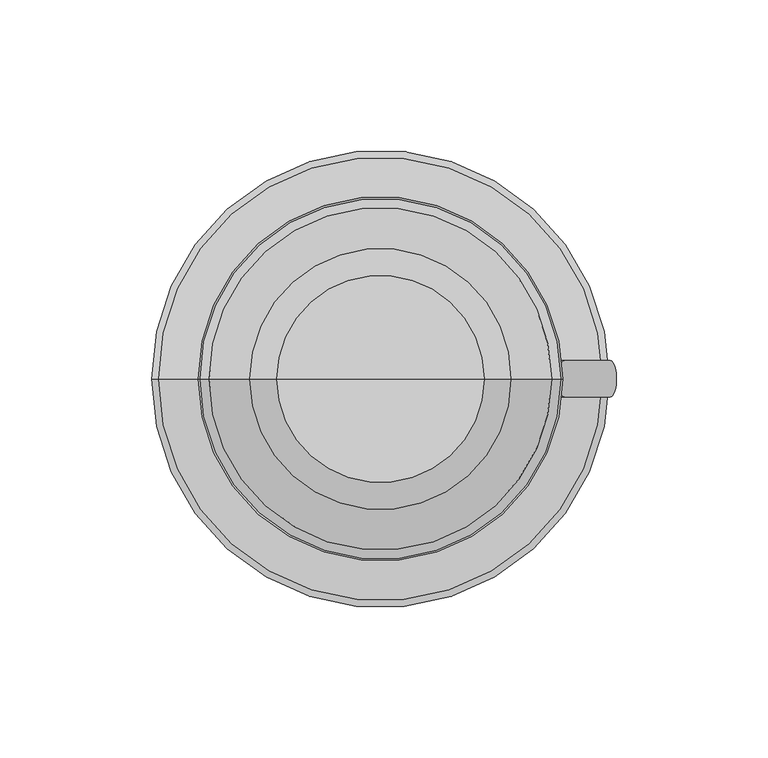
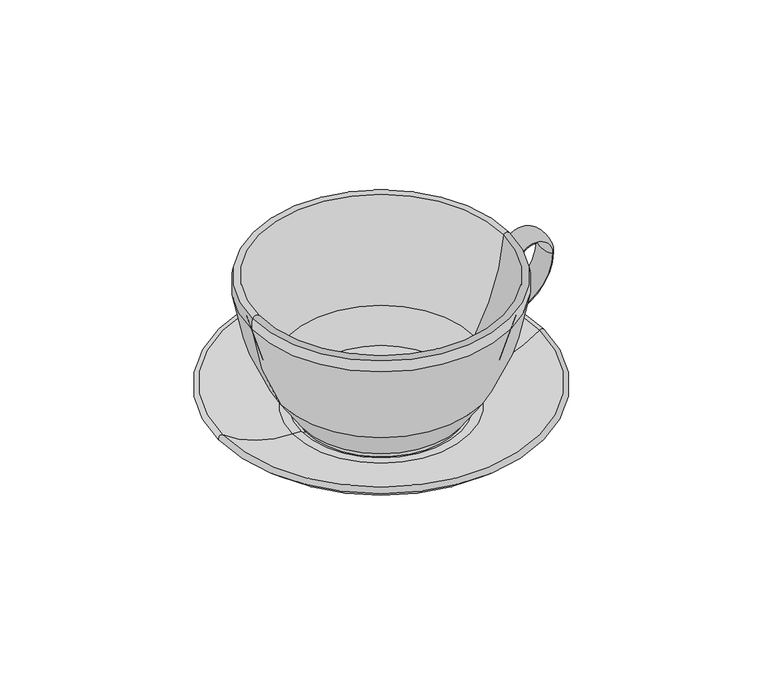
"""IFC4 building model written with IfcOpenShell, lengths in millimetres: proxy geometry."""

from ifc_helpers import new_model, si_unit, point, frame, origin, place, context, project, spatial, polyline, circle_curve, ellipse_curve, trimmed, source, transform, mapped, element, save
from ifc_brep_helpers import plane_surface, cylinder_surface, revolved_surface, extruded_surface, advanced_brep


def specialty_equipment_aad6432e(model_context):
    return source(origin(), model_context, "Body", "AdvancedBrep", [
        advanced_brep(
        [(59.5446216, 6.0, 53.0158416), (59.5446216, -6.0, 53.0158416), (60.5421811, 6.0, 58.6732829), (60.5421811, -6.0, 58.6732829), (75.8071396, -6.0, 57.2418221), (75.8071396, 6.0, 57.2418221), (55.9182518, -6.0, 33.3751568), (55.9182518, 6.0, 33.3751568), (46.2428865, 6.0, 25.5843892), (46.2428865, -6.0, 25.5843892)],
        [
            (0, 1, ellipse_curve(frame((59.5446216, 0.0, 53.0158416), z_axis=(-0.17364817766693216, 0.0, -0.9848077530122078), x_axis=(0.0, -1.0, 0.0)), 6.0, 1.9556392)),
            (1, 0, ellipse_curve(frame((59.5446216, 0.0, 53.0158416), z_axis=(-0.17364817766693216, 0.0, -0.9848077530122078), x_axis=(0.0, -1.0, 0.0)), 6.0, 1.9556392)),
            (0, 2),
            (2, 3, ellipse_curve(frame((60.5421811, 0.0, 58.6732829), z_axis=(-0.17364817766692553, 0.0, -0.9848077530122089), x_axis=(0.0, -1.0, 0.0)), 6.0, 1.9556392)),
            (3, 1),
            (3, 2, ellipse_curve(frame((60.5421811, 0.0, 58.6732829), z_axis=(-0.17364817766692553, 0.0, -0.9848077530122089), x_axis=(0.0, -1.0, 0.0)), 6.0, 1.9556392)),
            (4, 3, circle_curve(frame((68.116536, -6.0, 57.3377198), z_axis=(0.0, -1.0, 0.0), x_axis=(-0.9848077530122089, 0.0, 0.17364817766692564)), 7.6912015)),
            (2, 5, circle_curve(frame((68.116536, 6.0, 57.3377198), z_axis=(0.0, 1.0, 0.0), x_axis=(-0.9848077530122089, 0.0, 0.17364817766692564)), 7.6912015)),
            (5, 4, ellipse_curve(frame((75.8071396, 0.0, 57.2418221), z_axis=(0.01246848330167788, 0.0, 0.999922265440747), x_axis=(0.0, -1.0, 0.0)), 6.0, 1.9556392)),
            (4, 5, ellipse_curve(frame((75.8071396, 0.0, 57.2418221), z_axis=(0.012468483301678351, 0.0, 0.9999222654407471), x_axis=(0.0, -1.0, 0.0)), 6.0, 1.9556392)),
            (6, 4, circle_curve(frame((51.174104, -6.0, 57.5489826), z_axis=(0.0, -1.0, 0.0), x_axis=(0.9999222654407469, 0.0, -0.012468483301684043)), 24.6349506)),
            (5, 7, circle_curve(frame((51.174104, 6.0, 57.5489826), z_axis=(0.0, 1.0, 0.0), x_axis=(0.9999222654407469, 0.0, -0.012468483301684043)), 24.6349506)),
            (7, 6, ellipse_curve(frame((55.9182518, 0.0, 33.3751568), z_axis=(0.9812816821332172, 0.0, 0.19257793308114), x_axis=(0.0, -1.0, 0.0)), 6.0, 1.9556392)),
            (6, 7, ellipse_curve(frame((55.9182518, 0.0, 33.3751568), z_axis=(0.981281682133217, 0.0, 0.19257793308114013), x_axis=(0.0, -1.0, 0.0)), 6.0, 1.9556392)),
            (8, 9, ellipse_curve(frame((46.2428865, 0.0, 25.5843892), z_axis=(-0.39746915775875274, 0.0, -0.9176155342138385), x_axis=(0.0, -1.0, 0.0)), 6.0, 1.9556392)),
            (9, 8, ellipse_curve(frame((46.2428865, 0.0, 25.5843892), z_axis=(-0.39746915775875274, 0.0, -0.9176155342138385), x_axis=(0.0, -1.0, 0.0)), 6.0, 1.9556392)),
            (9, 6, circle_curve(frame((58.4881349, -6.0, 20.2803066), z_axis=(0.0, 1.0, 0.0), x_axis=(-0.19257793308113996, 0.0, 0.981281682133217)), 13.3446394)),
            (7, 8, circle_curve(frame((58.4881349, 6.0, 20.2803066), z_axis=(0.0, -1.0, 0.0), x_axis=(-0.19257793308113996, 0.0, 0.981281682133217)), 13.3446394)),
        ],
        [
            plane_surface(frame((58.0364761, 0.0, 53.2817683), z_axis=(-0.17364817766693216, 0.0, -0.9848077530122078), x_axis=(0.0, -1.0, 0.0))),
            extruded_surface(trimmed(ellipse_curve(frame((60.5421811, 0.0, 58.6732829), z_axis=(-0.17364817766693216, 0.0, -0.9848077530122078), x_axis=(0.0, -1.0, 0.0)), 6.0, 1.9556392), [point((60.5421811, 6.0, 58.6732829))], [point((60.5421811, -6.0, 58.6732829))], True, "CARTESIAN"), (-0.9975595000000013, 0.0, -5.657441299999995), 5.744716443740795),
            extruded_surface(trimmed(ellipse_curve(frame((60.5421811, 0.0, 58.6732829), z_axis=(-0.17364817766693216, 0.0, -0.9848077530122078), x_axis=(0.0, -1.0, 0.0)), 6.0, 1.9556392), [point((60.5421811, -6.0, 58.6732829))], [point((60.5421811, 6.0, 58.6732829))], True, "CARTESIAN"), (-0.9975595000000013, 0.0, -5.657441299999995), 5.744716443740795),
            revolved_surface(trimmed(ellipse_curve(frame((60.5421811, 0.0, 58.6732829), z_axis=(-0.17364817766692553, 0.0, -0.9848077530122089), x_axis=(0.0, -1.0, 0.0)), 6.0, 1.9556392), [point((60.5421811, 6.0, 58.6732829))], [point((60.5421811, -6.0, 58.6732829))], True, "CARTESIAN"), (68.116536, 0.0, 57.3377198), (0.0, 1.0, 0.0)),
            revolved_surface(trimmed(ellipse_curve(frame((60.5421811, 0.0, 58.6732829), z_axis=(-0.17364817766692553, 0.0, -0.9848077530122089), x_axis=(0.0, -1.0, 0.0)), 6.0, 1.9556392), [point((60.5421811, -6.0, 58.6732829))], [point((60.5421811, 6.0, 58.6732829))], True, "CARTESIAN"), (68.116536, 0.0, 57.3377198), (0.0, 1.0, 0.0)),
            revolved_surface(trimmed(ellipse_curve(frame((75.8071396, 0.0, 57.2418221), z_axis=(0.012468483301683986, 0.0, 0.9999222654407469), x_axis=(0.0, -1.0, 0.0)), 6.0, 1.9556392), [point((75.8071396, 6.0, 57.2418221))], [point((75.8071396, -6.0, 57.2418221))], True, "CARTESIAN"), (51.174104, 0.0, 57.5489826), (0.0, 1.0, 0.0)),
            revolved_surface(trimmed(ellipse_curve(frame((75.8071396, 0.0, 57.2418221), z_axis=(0.012468483301683986, 0.0, 0.9999222654407469), x_axis=(0.0, -1.0, 0.0)), 6.0, 1.9556392), [point((75.8071396, -6.0, 57.2418221))], [point((75.8071396, 6.0, 57.2418221))], True, "CARTESIAN"), (51.174104, 0.0, 57.5489826), (0.0, 1.0, 0.0)),
            plane_surface(frame((47.648133, 0.0, 24.9757006), z_axis=(-0.39746915775875274, 0.0, -0.9176155342138382), x_axis=(0.0, -1.0, 0.0))),
            revolved_surface(trimmed(ellipse_curve(frame((55.9182518, 0.0, 33.3751568), z_axis=(0.981281682133217, 0.0, 0.19257793308114), x_axis=(0.0, -1.0, 0.0)), 6.0, 1.9556392), [point((55.9182518, 6.0, 33.3751568))], [point((55.9182518, -6.0, 33.3751568))], True, "CARTESIAN"), (58.4881349, 0.0, 20.2803066), (0.0, -1.0, 0.0)),
            revolved_surface(trimmed(ellipse_curve(frame((55.9182518, 0.0, 33.3751568), z_axis=(0.981281682133217, 0.0, 0.19257793308114), x_axis=(0.0, -1.0, 0.0)), 6.0, 1.9556392), [point((55.9182518, -6.0, 33.3751568))], [point((55.9182518, 6.0, 33.3751568))], True, "CARTESIAN"), (58.4881349, 0.0, 20.2803066), (0.0, -1.0, 0.0)),
        ],
        [
            (0, [[1, 2]]),
            (1, [[-1, 3, 4, 5]]),
            (2, [[-2, -5, 6, -3]]),
            (3, [[7, -4, 8, 9]]),
            (4, [[-8, -6, -7, 10]]),
            (5, [[11, -9, 12, 13]]),
            (6, [[-12, -10, -11, 14]]),
            (7, [[15, 16]]),
            (8, [[17, -13, 18, -16]]),
            (9, [[-18, -14, -17, -15]]),
        ],
    ),
        advanced_brep(
        [(0.0, 0.0, 5.0), (-35.0, 0.0, 5.0), (35.0, 0.0, 5.0), (34.1675948, 0.0, 11.0), (-34.1675948, 0.0, 11.0), (0.0, 0.0, 11.0), (43.031158, 0.0, 24.4569164), (-43.031158, 0.0, 24.4569164), (56.4535452, 0.0, 69.2189624), (-56.4535452, 0.0, 69.2189624), (59.4551761, 0.0, 69.0), (-59.4551761, 0.0, 69.0), (60.0, 0.0, 64.0), (-60.0, 0.0, 64.0), (46.5104703, 0.0, 22.4834964), (-46.5104703, 0.0, 22.4834964), (36.434045, 0.0, 7.3842512), (-36.434045, 0.0, 7.3842512), (35.0, 0.0, 7.0), (-35.0, 0.0, 7.0)],
        [
            (0, 1),
            (1, 2, circle_curve(frame((0.0, 0.0, 5.0), z_axis=(0.0, 0.0, -1.0), x_axis=(-1.0, 0.0, 0.0)), 35.0)),
            (2, 0),
            (2, 1, circle_curve(frame((0.0, 0.0, 5.0), z_axis=(0.0, 0.0, -1.0), x_axis=(-1.0, 0.0, 0.0)), 35.0)),
            (3, 4, circle_curve(frame((0.0, 0.0, 11.0), z_axis=(0.0, 0.0, 1.0), x_axis=(-1.0, 0.0, 0.0)), 34.1675948)),
            (4, 5),
            (5, 3),
            (4, 3, circle_curve(frame((0.0, 0.0, 11.0), z_axis=(0.0, 0.0, 1.0), x_axis=(-1.0, 0.0, 0.0)), 34.1675948)),
            (6, 7, circle_curve(frame((0.0, 0.0, 24.4569164), z_axis=(0.0, 0.0, 1.0), x_axis=(-1.0, 0.0, 0.0)), 43.031158)),
            (7, 4, circle_curve(frame((62.4343307, 0.0, 84.2755503), z_axis=(0.0, -1.0, 0.0), x_axis=(1.0, 0.0, 0.0)), 121.248663)),
            (3, 6, circle_curve(frame((-62.4343307, 0.0, 84.2755503), z_axis=(0.0, -1.0, 0.0), x_axis=(-1.0, 0.0, 0.0)), 121.248663)),
            (7, 6, circle_curve(frame((0.0, 0.0, 24.4569164), z_axis=(0.0, 0.0, 1.0), x_axis=(-1.0, 0.0, 0.0)), 43.031158)),
            (8, 9, circle_curve(frame((0.0, 0.0, 69.2189624), z_axis=(0.0, 0.0, 1.0), x_axis=(-1.0, 0.0, 0.0)), 56.4535452)),
            (9, 7, circle_curve(frame((48.2186848, 0.0, 76.2126234), z_axis=(0.0, -1.0, 0.0), x_axis=(1.0, 0.0, 0.0)), 104.90561)),
            (6, 8, circle_curve(frame((-48.2186848, 0.0, 76.2126234), z_axis=(0.0, -1.0, 0.0), x_axis=(-1.0, 0.0, 0.0)), 104.90561)),
            (9, 8, circle_curve(frame((0.0, 0.0, 69.2189624), z_axis=(0.0, 0.0, 1.0), x_axis=(-1.0, 0.0, 0.0)), 56.4535452)),
            (10, 11, circle_curve(frame((0.0, 0.0, 69.0), z_axis=(0.0, 0.0, 1.0), x_axis=(-1.0, 0.0, 0.0)), 59.4551761)),
            (11, 9, circle_curve(frame((-57.9077798, 0.0, 68.4709307), z_axis=(0.0, 1.0, 0.0), x_axis=(1.0, 0.0, 0.0)), 1.6353439)),
            (8, 10, circle_curve(frame((57.9077798, 0.0, 68.4709307), z_axis=(0.0, 1.0, 0.0), x_axis=(-1.0, 0.0, 0.0)), 1.6353439)),
            (11, 10, circle_curve(frame((0.0, 0.0, 69.0), z_axis=(0.0, 0.0, 1.0), x_axis=(-1.0, 0.0, 0.0)), 59.4551761)),
            (12, 13, circle_curve(frame((0.0, 0.0, 64.0), z_axis=(0.0, 0.0, 1.0), x_axis=(-1.0, 0.0, 0.0)), 60.0)),
            (13, 11, circle_curve(frame((-48.5955838, 0.0, 65.2870036), z_axis=(0.0, 1.0, 0.0), x_axis=(1.0, 0.0, 0.0)), 11.4768065)),
            (10, 12, circle_curve(frame((48.5955838, 0.0, 65.2870036), z_axis=(0.0, 1.0, 0.0), x_axis=(-1.0, 0.0, 0.0)), 11.4768065)),
            (13, 12, circle_curve(frame((0.0, 0.0, 64.0), z_axis=(0.0, 0.0, 1.0), x_axis=(-1.0, 0.0, 0.0)), 60.0)),
            (14, 15, circle_curve(frame((0.0, 0.0, 22.4834964), z_axis=(0.0, 0.0, 1.0), x_axis=(-1.0, 0.0, 0.0)), 46.5104703)),
            (15, 13, circle_curve(frame((48.2186848, 0.0, 76.2126234), z_axis=(0.0, 1.0, 0.0), x_axis=(1.0, 0.0, 0.0)), 108.90561)),
            (12, 14, circle_curve(frame((-48.2186848, 0.0, 76.2126234), z_axis=(0.0, 1.0, 0.0), x_axis=(-1.0, 0.0, 0.0)), 108.90561)),
            (15, 14, circle_curve(frame((0.0, 0.0, 22.4834964), z_axis=(0.0, 0.0, 1.0), x_axis=(-1.0, 0.0, 0.0)), 46.5104703)),
            (16, 17, circle_curve(frame((0.0, 0.0, 7.3842512), z_axis=(0.0, 0.0, 1.0), x_axis=(-1.0, 0.0, 0.0)), 36.434045)),
            (17, 15, circle_curve(frame((62.4343307, 0.0, 84.2755503), z_axis=(0.0, 1.0, 0.0), x_axis=(1.0, 0.0, 0.0)), 125.248663)),
            (14, 16, circle_curve(frame((-62.4343307, 0.0, 84.2755503), z_axis=(0.0, 1.0, 0.0), x_axis=(-1.0, 0.0, 0.0)), 125.248663)),
            (17, 16, circle_curve(frame((0.0, 0.0, 7.3842512), z_axis=(0.0, 0.0, 1.0), x_axis=(-1.0, 0.0, 0.0)), 36.434045)),
            (18, 19, circle_curve(frame((0.0, 0.0, 7.0), z_axis=(0.0, 0.0, 1.0), x_axis=(-1.0, 0.0, 0.0)), 35.0)),
            (19, 17),
            (16, 18),
            (19, 18, circle_curve(frame((0.0, 0.0, 7.0), z_axis=(0.0, 0.0, 1.0), x_axis=(-1.0, 0.0, 0.0)), 35.0)),
            (1, 19),
            (18, 2),
        ],
        [
            plane_surface(frame((0.0, 0.0, 5.0), z_axis=(0.0, 0.0, -1.0), x_axis=(-1.0, 0.0, 0.0))),
            plane_surface(frame((0.0, 0.0, 11.0), z_axis=(0.0, 0.0, 1.0), x_axis=(-1.0, 0.0, 0.0))),
            revolved_surface(trimmed(ellipse_curve(frame((62.4343307, 0.0, 84.2755503), z_axis=(0.0, 1.0, 0.0), x_axis=(1.0, 0.0, 0.0)), 121.248663, 121.248663), [point((-34.1675948, 0.0, 11.0))], [point((-43.031158, 0.0, 24.4569164))], True, "CARTESIAN"), (0.0, 0.0, -1.0), (0.0, 0.0, -1.0)),
            revolved_surface(trimmed(ellipse_curve(frame((48.2186848, 0.0, 76.2126234), z_axis=(0.0, 1.0, 0.0), x_axis=(1.0, 0.0, 0.0)), 104.90561, 104.90561), [point((-43.031158, 0.0, 24.4569164))], [point((-56.4535452, 0.0, 69.2189624))], True, "CARTESIAN"), (0.0, 0.0, -1.0), (0.0, 0.0, -1.0)),
            revolved_surface(trimmed(ellipse_curve(frame((-57.9077798, 0.0, 68.4709307), z_axis=(0.0, -1.0, 0.0), x_axis=(1.0, 0.0, 0.0)), 1.6353439, 1.6353439), [point((-56.4535452, 0.0, 69.2189624))], [point((-59.4551761, 0.0, 69.0))], True, "CARTESIAN"), (0.0, 0.0, -1.0), (0.0, 0.0, -1.0)),
            revolved_surface(trimmed(ellipse_curve(frame((-48.5955838, 0.0, 65.2870036), z_axis=(0.0, -1.0, 0.0), x_axis=(1.0, 0.0, 0.0)), 11.4768065, 11.4768065), [point((-59.4551761, 0.0, 69.0))], [point((-60.0, 0.0, 64.0))], True, "CARTESIAN"), (0.0, 0.0, -1.0), (0.0, 0.0, -1.0)),
            revolved_surface(trimmed(ellipse_curve(frame((48.2186848, 0.0, 76.2126234), z_axis=(0.0, -1.0, 0.0), x_axis=(1.0, 0.0, 0.0)), 108.90561, 108.90561), [point((-60.0, 0.0, 64.0))], [point((-46.5104703, 0.0, 22.4834964))], True, "CARTESIAN"), (0.0, 0.0, -1.0), (0.0, 0.0, -1.0)),
            revolved_surface(trimmed(ellipse_curve(frame((62.4343307, 0.0, 84.2755503), z_axis=(0.0, -1.0, 0.0), x_axis=(1.0, 0.0, 0.0)), 125.248663, 125.248663), [point((-46.5104703, 0.0, 22.4834964))], [point((-36.434045, 0.0, 7.3842512))], True, "CARTESIAN"), (0.0, 0.0, -1.0), (0.0, 0.0, -1.0)),
            revolved_surface(polyline([(-36.434045, 0.0, 7.3842512), (-35.0, 0.0, 7.0)]), (0.0, 0.0, -1.0), (0.0, 0.0, -1.0)),
            cylinder_surface(frame((0.0, 0.0, -1.0), z_axis=(0.0, 0.0, -1.0), x_axis=(-1.0, 0.0, 0.0)), 35.0),
        ],
        [
            (0, [[1, 2, 3]]),
            (0, [[-3, 4, -1]]),
            (1, [[5, 6, 7]]),
            (1, [[8, -7, -6]]),
            (2, [[9, 10, -5, 11]]),
            (2, [[12, -11, -8, -10]]),
            (3, [[13, 14, -9, 15]]),
            (3, [[16, -15, -12, -14]]),
            (4, [[17, 18, -13, 19]]),
            (4, [[20, -19, -16, -18]]),
            (5, [[21, 22, -17, 23]]),
            (5, [[24, -23, -20, -22]]),
            (6, [[25, 26, -21, 27]]),
            (6, [[28, -27, -24, -26]]),
            (7, [[29, 30, -25, 31]]),
            (7, [[32, -31, -28, -30]]),
            (8, [[33, 34, -29, 35]]),
            (8, [[36, -35, -32, -34]]),
            (9, [[-2, 37, -33, 38]]),
            (9, [[-4, -38, -36, -37]]),
        ],
    ),
        advanced_brep(
        [(0.0, 0.0, 0.0), (-40.0, 0.0, 0.0), (40.0, 0.0, 0.0), (37.0538429, 0.0, 5.0), (-37.0538429, 0.0, 5.0), (0.0, 0.0, 5.0), (37.0538429, 0.0, 6.0), (-37.0538429, 0.0, 6.0), (40.9049392, 0.0, 6.0), (-40.9049392, 0.0, 6.0), (73.1319855, 0.0, 16.8524477), (-73.1319855, 0.0, 16.8524477), (75.0, 0.0, 15.0), (-75.0, 0.0, 15.0), (45.0, 0.0, 2.5), (-45.0, 0.0, 2.5), (40.0, 0.0, 2.5), (-40.0, 0.0, 2.5)],
        [
            (0, 1),
            (1, 2, circle_curve(frame((0.0, 0.0, 0.0), z_axis=(0.0, 0.0, -1.0), x_axis=(-1.0, 0.0, 0.0)), 40.0)),
            (2, 0),
            (2, 1, circle_curve(frame((0.0, 0.0, 0.0), z_axis=(0.0, 0.0, -1.0), x_axis=(-1.0, 0.0, 0.0)), 40.0)),
            (3, 4, circle_curve(frame((0.0, 0.0, 5.0), z_axis=(0.0, 0.0, 1.0), x_axis=(-1.0, 0.0, 0.0)), 37.0538429)),
            (4, 5),
            (5, 3),
            (4, 3, circle_curve(frame((0.0, 0.0, 5.0), z_axis=(0.0, 0.0, 1.0), x_axis=(-1.0, 0.0, 0.0)), 37.0538429)),
            (6, 7, circle_curve(frame((0.0, 0.0, 6.0), z_axis=(0.0, 0.0, 1.0), x_axis=(-1.0, 0.0, 0.0)), 37.0538429)),
            (7, 4),
            (3, 6),
            (7, 6, circle_curve(frame((0.0, 0.0, 6.0), z_axis=(0.0, 0.0, 1.0), x_axis=(-1.0, 0.0, 0.0)), 37.0538429)),
            (8, 9, circle_curve(frame((0.0, 0.0, 6.0), z_axis=(0.0, 0.0, 1.0), x_axis=(-1.0, 0.0, 0.0)), 40.9049392)),
            (9, 7),
            (6, 8),
            (9, 8, circle_curve(frame((0.0, 0.0, 6.0), z_axis=(0.0, 0.0, 1.0), x_axis=(-1.0, 0.0, 0.0)), 40.9049392)),
            (10, 11, circle_curve(frame((0.0, 0.0, 16.8524477), z_axis=(0.0, 0.0, 1.0), x_axis=(-1.0, 0.0, 0.0)), 73.1319855)),
            (11, 9, circle_curve(frame((-40.9049392, 0.0, 59.2763746), z_axis=(0.0, -1.0, 0.0), x_axis=(1.0, 0.0, 0.0)), 53.2763746)),
            (8, 10, circle_curve(frame((40.9049392, 0.0, 59.2763746), z_axis=(0.0, -1.0, 0.0), x_axis=(-1.0, 0.0, 0.0)), 53.2763746)),
            (11, 10, circle_curve(frame((0.0, 0.0, 16.8524477), z_axis=(0.0, 0.0, 1.0), x_axis=(-1.0, 0.0, 0.0)), 73.1319855)),
            (12, 13, circle_curve(frame((0.0, 0.0, 15.0), z_axis=(0.0, 0.0, 1.0), x_axis=(-1.0, 0.0, 0.0)), 75.0)),
            (13, 11, circle_curve(frame((-74.0659928, 0.0, 15.9262238), z_axis=(0.0, 1.0, 0.0), x_axis=(1.0, 0.0, 0.0)), 1.3153935)),
            (10, 12, circle_curve(frame((74.0659928, 0.0, 15.9262238), z_axis=(0.0, 1.0, 0.0), x_axis=(-1.0, 0.0, 0.0)), 1.3153935)),
            (13, 12, circle_curve(frame((0.0, 0.0, 15.0), z_axis=(0.0, 0.0, 1.0), x_axis=(-1.0, 0.0, 0.0)), 75.0)),
            (14, 15, circle_curve(frame((0.0, 0.0, 2.5), z_axis=(0.0, 0.0, 1.0), x_axis=(-1.0, 0.0, 0.0)), 45.0)),
            (15, 13, circle_curve(frame((-45.0, 0.0, 44.75), z_axis=(0.0, 1.0, 0.0), x_axis=(1.0, 0.0, 0.0)), 42.25)),
            (12, 14, circle_curve(frame((45.0, 0.0, 44.75), z_axis=(0.0, 1.0, 0.0), x_axis=(-1.0, 0.0, 0.0)), 42.25)),
            (15, 14, circle_curve(frame((0.0, 0.0, 2.5), z_axis=(0.0, 0.0, 1.0), x_axis=(-1.0, 0.0, 0.0)), 45.0)),
            (16, 17, circle_curve(frame((0.0, 0.0, 2.5), z_axis=(0.0, 0.0, 1.0), x_axis=(-1.0, 0.0, 0.0)), 40.0)),
            (17, 15),
            (14, 16),
            (17, 16, circle_curve(frame((0.0, 0.0, 2.5), z_axis=(0.0, 0.0, 1.0), x_axis=(-1.0, 0.0, 0.0)), 40.0)),
            (1, 17),
            (16, 2),
        ],
        [
            plane_surface(frame((0.0, 0.0, 0.0), z_axis=(0.0, 0.0, -1.0), x_axis=(-1.0, 0.0, 0.0))),
            plane_surface(frame((0.0, 0.0, 5.0), z_axis=(0.0, 0.0, 1.0), x_axis=(-1.0, 0.0, 0.0))),
            revolved_surface(polyline([(-37.0538429, 0.0, 5.0), (-37.0538429, 0.0, 6.0)]), (0.0, 0.0, 0.0), (0.0, 0.0, -1.0)),
            plane_surface(frame((0.0, 0.0, 6.0), z_axis=(0.0, 0.0, 1.0), x_axis=(-1.0, 0.0, 0.0))),
            revolved_surface(trimmed(ellipse_curve(frame((-40.9049392, 0.0, 59.2763746), z_axis=(0.0, 1.0, 0.0), x_axis=(1.0, 0.0, 0.0)), 53.2763746, 53.2763746), [point((-40.9049392, 0.0, 6.0))], [point((-73.1319855, 0.0, 16.8524477))], True, "CARTESIAN"), (0.0, 0.0, 0.0), (0.0, 0.0, -1.0)),
            revolved_surface(trimmed(ellipse_curve(frame((-74.0659928, 0.0, 15.9262238), z_axis=(0.0, -1.0, 0.0), x_axis=(1.0, 0.0, 0.0)), 1.3153935, 1.3153935), [point((-73.1319855, 0.0, 16.8524477))], [point((-75.0, 0.0, 15.0))], True, "CARTESIAN"), (0.0, 0.0, 0.0), (0.0, 0.0, -1.0)),
            revolved_surface(trimmed(ellipse_curve(frame((-45.0, 0.0, 44.75), z_axis=(0.0, -1.0, 0.0), x_axis=(1.0, 0.0, 0.0)), 42.25, 42.25), [point((-75.0, 0.0, 15.0))], [point((-45.0, 0.0, 2.5))], True, "CARTESIAN"), (0.0, 0.0, 0.0), (0.0, 0.0, -1.0)),
            plane_surface(frame((0.0, 0.0, 2.5), z_axis=(0.0, 0.0, -1.0), x_axis=(-1.0, 0.0, 0.0))),
            cylinder_surface(frame((0.0, 0.0, 0.0), z_axis=(0.0, 0.0, -1.0), x_axis=(-1.0, 0.0, 0.0)), 40.0),
        ],
        [
            (0, [[1, 2, 3]]),
            (0, [[-3, 4, -1]]),
            (1, [[5, 6, 7]]),
            (1, [[8, -7, -6]]),
            (2, [[9, 10, -5, 11]]),
            (2, [[12, -11, -8, -10]]),
            (3, [[13, 14, -9, 15]]),
            (3, [[16, -15, -12, -14]]),
            (4, [[17, 18, -13, 19]]),
            (4, [[20, -19, -16, -18]]),
            (5, [[21, 22, -17, 23]]),
            (5, [[24, -23, -20, -22]]),
            (6, [[25, 26, -21, 27]]),
            (6, [[28, -27, -24, -26]]),
            (7, [[29, 30, -25, 31]]),
            (7, [[32, -31, -28, -30]]),
            (8, [[-2, 33, -29, 34]]),
            (8, [[-4, -34, -32, -33]]),
        ],
    ),
    ])


if __name__ == "__main__":
    model = new_model("IFC4")
    model_context = context("Model", 3, world=origin())
    ifc_project = project(units=[si_unit("LENGTHUNIT", "METRE", prefix="MILLI")], contexts=[model_context])
    site = spatial("IfcSite", under=ifc_project)
    building = spatial("IfcBuilding", under=site)
    placement = place(None, origin())
    specialty_equipment_shape = specialty_equipment_aad6432e(model_context)
    element("IfcBuildingElementProxy", 1, Name="Specialty Equipment", at=placement, inside=building, context=model_context, shape_type="MappedRepresentation", body=[
        mapped(specialty_equipment_shape, transform((0.0, 0.0, 0.0), x_axis=(1.0, 0.0, 0.0), y_axis=(0.0, 1.0, 0.0), z_axis=(0.0, 0.0, 1.0))),
    ])
    save(model, "model.ifc")
